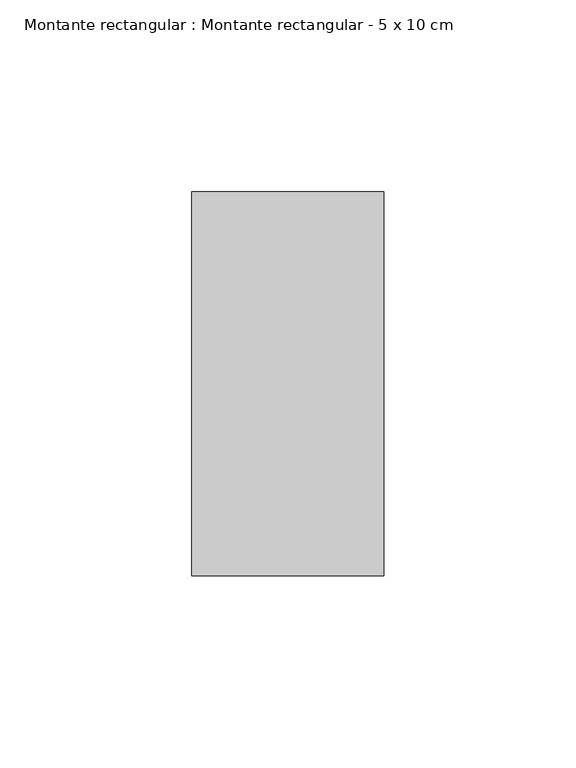
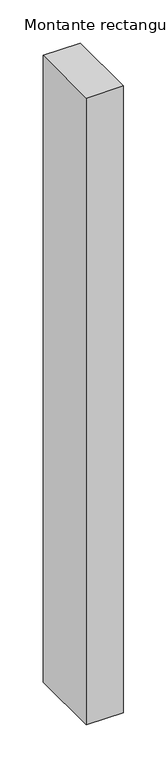
"""IFC4 building model written with IfcOpenShell, lengths in millimetres: member geometry, Montante rectangular : Montante rectangular - 5 x 10 cm."""

from ifc_helpers import new_model, si_unit, frame, origin, place, context, project, spatial, polyline, outline, extrude, source, transform, mapped, element, save


def montante_rectangular_montante_rectangular_5_x_10_cm_b342a06b(model_context):
    return source(origin(), model_context, "Body", "SweptSolid", [
        extrude(outline(polyline([(0.0, 50.0), (0.0, -50.0), (-50.0, -50.0), (-50.0, 50.0), (0.0, 50.0)])), frame((0.0, 0.0, -888.0174366), z_axis=(0.0, 0.0, 1.0), x_axis=(1.0, 0.0, 0.0)), (0.0, 0.0, 1.0), 888.0174366),
    ])


if __name__ == "__main__":
    model = new_model("IFC4")
    model_context = context("Model", 3, world=origin())
    ifc_project = project(units=[si_unit("LENGTHUNIT", "METRE", prefix="MILLI")], contexts=[model_context])
    site = spatial("IfcSite", under=ifc_project)
    building = spatial("IfcBuilding", under=site)
    placement = place(None, origin())
    montante_rectangular_montante_rectangular_5_x_10_cm_shape = montante_rectangular_montante_rectangular_5_x_10_cm_b342a06b(model_context)
    element("IfcMember", 1, ObjectType="Montante rectangular : Montante rectangular - 5 x 10 cm", at=placement, inside=building, context=model_context, shape_type="MappedRepresentation", body=[
        mapped(montante_rectangular_montante_rectangular_5_x_10_cm_shape, transform((0.0, 0.0, 0.0), x_axis=(1.0, 0.0, 0.0), y_axis=(0.0, 1.0, 0.0), z_axis=(0.0, 0.0, 1.0))),
    ])
    save(model, "model.ifc")
